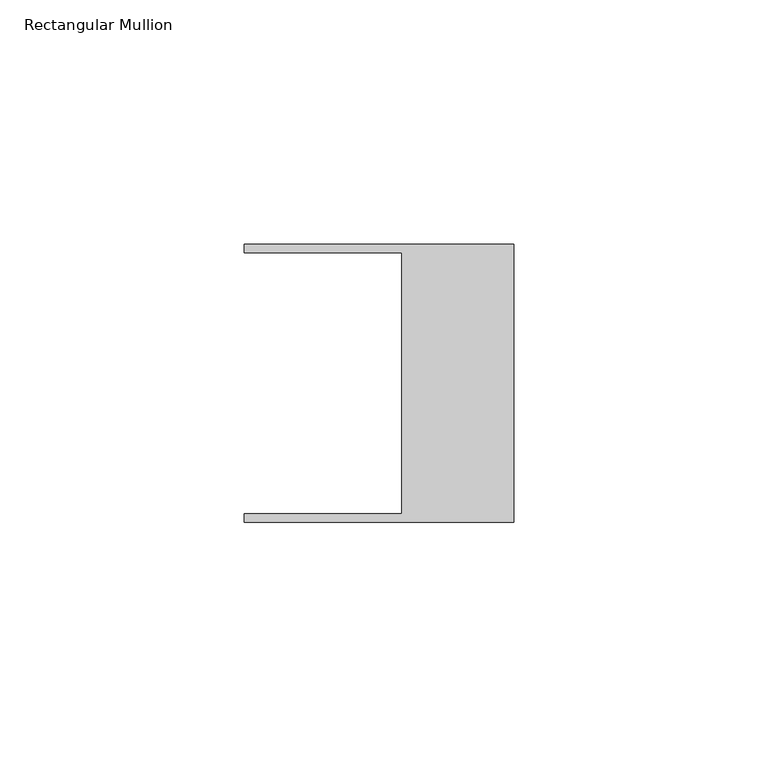
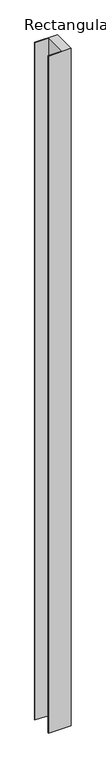
"""IFC4 building model written with IfcOpenShell, lengths in millimetres: member geometry, Rectangular Mullion."""

from ifc_helpers import new_model, si_unit, frame, origin, place, context, project, spatial, polyline, outline, extrude, source, transform, mapped, element, save


def rectangular_mullion_da7c5d6b(model_context):
    return source(origin(), model_context, "Body", "SweptSolid", [
        extrude(outline(polyline([(-55.118, 26.67), (-55.118, 28.448), (0.0, 28.448), (0.0, -28.448), (-55.118, -28.448), (-55.118, -26.67), (-22.86, -26.67), (-22.86, 26.67), (-55.118, 26.67)])), frame((0.0, 0.0, -1721.775519), z_axis=(0.0, 0.0, 1.0), x_axis=(1.0, 0.0, 0.0)), (0.0, 0.0, 1.0), 1721.775519),
    ])


if __name__ == "__main__":
    model = new_model("IFC4")
    model_context = context("Model", 3, world=origin())
    ifc_project = project(units=[si_unit("LENGTHUNIT", "METRE", prefix="MILLI")], contexts=[model_context])
    site = spatial("IfcSite", under=ifc_project)
    building = spatial("IfcBuilding", under=site)
    placement = place(None, origin())
    rectangular_mullion_shape = rectangular_mullion_da7c5d6b(model_context)
    element("IfcMember", 1, ObjectType="Rectangular Mullion", at=placement, inside=building, context=model_context, shape_type="MappedRepresentation", body=[
        mapped(rectangular_mullion_shape, transform((0.0, 0.0, 0.0), x_axis=(1.0, 0.0, 0.0), y_axis=(0.0, 1.0, 0.0), z_axis=(0.0, 0.0, 1.0))),
    ])
    save(model, "model.ifc")
